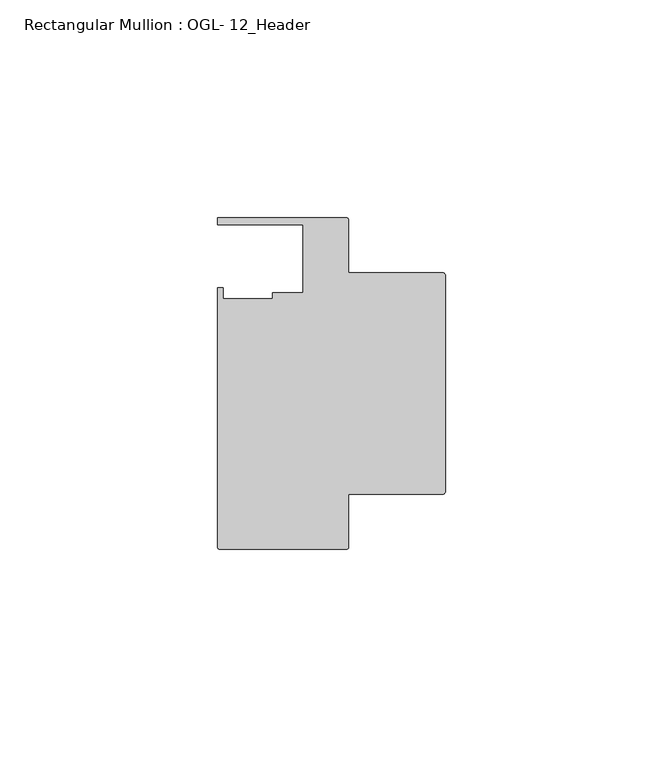
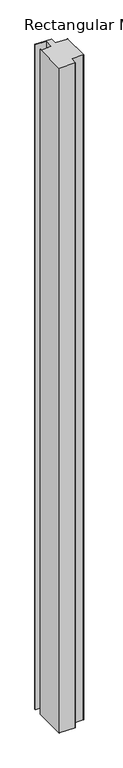
"""IFC4 building model written with IfcOpenShell, lengths in millimetres: member geometry, Rectangular Mullion : OGL- 12_Header."""

from ifc_helpers import new_model, si_unit, point, frame, frame_2d, origin, place, context, project, spatial, polyline, circle_curve, trimmed, segment, composite_curve, outline, extrude, source, transform, mapped, element, save


def rectangular_mullion_ogl_12_header_531c37d5(model_context):
    return source(origin(), model_context, "Body", "SweptSolid", [
        extrude(outline(composite_curve([segment(polyline([(-0.5953125, -25.4), (-22.2332898, -25.4), (-22.2332898, -37.5043667)]), True, "CONTINUOUS"), segment(trimmed(circle_curve(frame_2d((-22.8286023, -37.5043667)), 0.5953125), [point((-22.2332898, -37.5043667))], [point((-22.8286023, -38.0996792))], False, "CARTESIAN"), True, "CONTINUOUS"), segment(polyline([(-22.8286023, -38.0996792), (-51.7968699, -38.0996792)]), True, "CONTINUOUS"), segment(trimmed(circle_curve(frame_2d((-51.7968699, -37.5043667)), 0.5953125), [point((-51.7968699, -38.0996792))], [point((-52.3921824, -37.5043667))], False, "CARTESIAN"), True, "CONTINUOUS"), segment(polyline([(-52.3921824, -37.5043667), (-52.3921824, 21.9710976), (-51.1362531, 21.9710976), (-51.1362531, 19.4824275), (-39.7567771, 19.4824275), (-39.7567771, 20.8257348), (-32.730302, 20.8257348), (-32.730302, 36.512516), (-52.3830881, 36.512516), (-52.3830881, 38.100016), (-22.8763468, 38.100016)]), True, "CONTINUOUS"), segment(trimmed(circle_curve(frame_2d((-22.8763468, 37.456959)), 0.643057), [point((-22.8763468, 38.100016))], [point((-22.2332898, 37.456959))], False, "CARTESIAN"), True, "CONTINUOUS"), segment(polyline([(-22.2332898, 37.456959), (-22.2332898, 25.4), (-0.5953125, 25.4)]), True, "CONTINUOUS"), segment(trimmed(circle_curve(frame_2d((-0.5953125, 24.8046875)), 0.5953125), [point((-0.5953125, 25.4))], [point((0.0, 24.8046875))], False, "CARTESIAN"), True, "CONTINUOUS"), segment(polyline([(0.0, 24.8046875), (0.0, -24.8046875)]), True, "CONTINUOUS"), segment(trimmed(circle_curve(frame_2d((-0.5953125, -24.8046875)), 0.5953125), [point((0.0, -24.8046875))], [point((-0.5953125, -25.4))], False, "CARTESIAN"), True, "CONTINUOUS")], self_intersect=False)), frame((0.0, 0.0, -1282.7), z_axis=(0.0, 0.0, 1.0), x_axis=(1.0, 0.0, 0.0)), (0.0, 0.0, 1.0), 1282.7),
    ])


if __name__ == "__main__":
    model = new_model("IFC4")
    model_context = context("Model", 3, world=origin())
    ifc_project = project(units=[si_unit("LENGTHUNIT", "METRE", prefix="MILLI")], contexts=[model_context])
    site = spatial("IfcSite", under=ifc_project)
    building = spatial("IfcBuilding", under=site)
    placement = place(None, origin())
    rectangular_mullion_ogl_12_header_shape = rectangular_mullion_ogl_12_header_531c37d5(model_context)
    element("IfcMember", 1, ObjectType="Rectangular Mullion : OGL- 12_Header", at=placement, inside=building, context=model_context, shape_type="MappedRepresentation", body=[
        mapped(rectangular_mullion_ogl_12_header_shape, transform((0.0, 0.0, 0.0), x_axis=(1.0, 0.0, 0.0), y_axis=(0.0, 1.0, 0.0), z_axis=(0.0, 0.0, 1.0))),
    ])
    save(model, "model.ifc")
